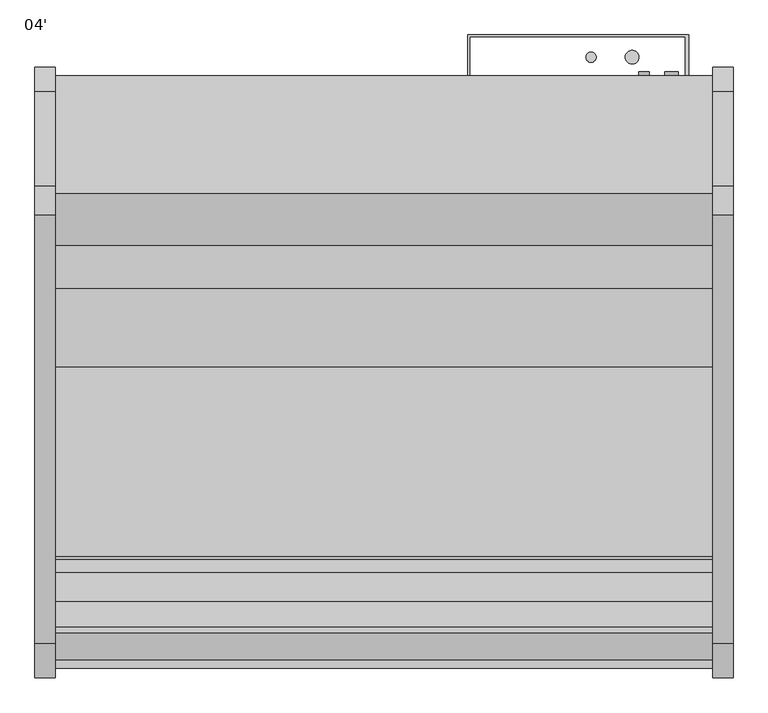
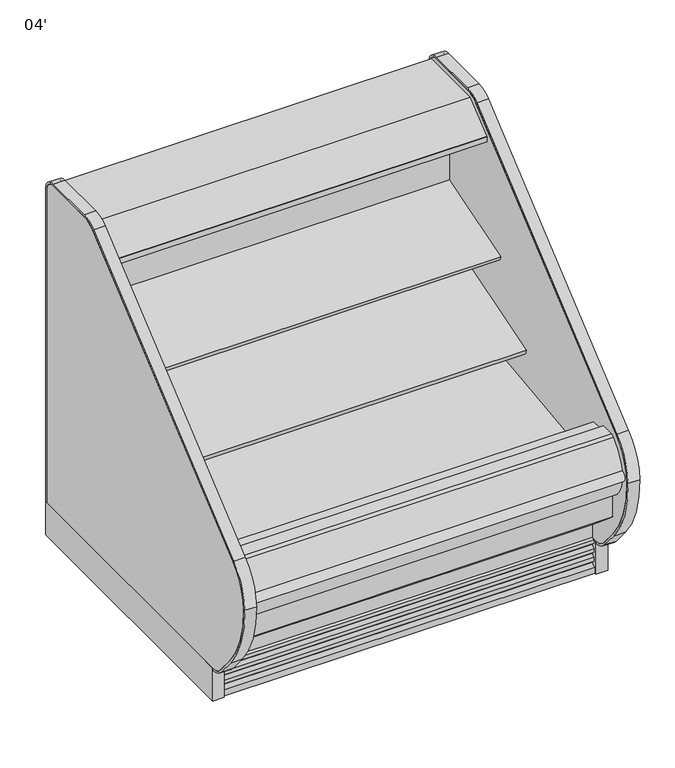
"""IFC4 building model written with IfcOpenShell, lengths in millimetres: proxy geometry, 04'."""

from ifc_helpers import new_model, si_unit, point, frame, frame_2d, origin, origin_with_axes, place, context, project, spatial, polyline, circle_curve, trimmed, segment, composite_curve, outline, extrude, source, transform, mapped, element, save
from ifc_brep_helpers import plane_surface, cylinder_surface, revolved_surface, advanced_brep


def proxy_04_50b82abc(model_context):
    return source(origin(), model_context, "Body", "SolidModel", [
        extrude(outline(composite_curve([segment(trimmed(circle_curve(frame_2d((971.4252137, -979.3589273)), 9.525), [point((961.9002137, -979.3589273))], [point((980.9502137, -979.3589273))], False, "CARTESIAN"), True, "CONTINUOUS"), segment(trimmed(circle_curve(frame_2d((971.4252137, -979.3589273)), 9.525), [point((980.9502137, -979.3589273))], [point((961.9002137, -979.3589273))], False, "CARTESIAN"), True, "CONTINUOUS")], self_intersect=False)), frame((0.0, 0.0, 68.5310382), z_axis=(0.0, 0.0, 1.0), x_axis=(1.0, 0.0, 0.0)), (0.0, 0.0, 1.0), 52.7807458),
        extrude(outline(composite_curve([segment(trimmed(circle_curve(frame_2d((1021.079026, -979.3589273)), 12.7), [point((1008.379026, -979.3589273))], [point((1033.779026, -979.3589273))], False, "CARTESIAN"), True, "CONTINUOUS"), segment(trimmed(circle_curve(frame_2d((1021.079026, -979.3589273)), 12.7), [point((1033.779026, -979.3589273))], [point((1008.379026, -979.3589273))], False, "CARTESIAN"), True, "CONTINUOUS")], self_intersect=False)), frame((0.0, 0.0, 68.5310382), z_axis=(0.0, 0.0, 1.0), x_axis=(1.0, 0.0, 0.0)), (0.0, 0.0, 1.0), 52.7807458),
        extrude(outline(composite_curve([segment(polyline([(-514.5184043, 1137.9230838), (-504.8108903, 1140.9213787), (-504.5441858, 1140.0578752), (-503.4770145, 1140.0578752), (-503.4770145, 1046.2935435), (-528.7722287, 1042.7407473)]), True, "CONTINUOUS"), segment(trimmed(circle_curve(frame_2d((-528.9121117, 1044.3144225)), 1.57988), [point((-528.7722287, 1042.7407473))], [point((-530.4766164, 1044.0945457))], False, "CARTESIAN"), True, "CONTINUOUS"), segment(polyline([(-530.4766164, 1044.0945457), (-531.3614261, 1050.3902938), (-530.5766584, 1050.5005857), (-529.5822638, 1043.4251005), (-506.0015054, 1046.73916), (-520.0975442, 1147.0376871), (-542.8581255, 1144.0153314)]), True, "CONTINUOUS"), segment(trimmed(circle_curve(frame_2d((-542.7544773, 1143.234783)), 0.7874), [point((-542.8581255, 1144.0153314))], [point((-543.5350257, 1143.1311347))], True, "CARTESIAN"), True, "CONTINUOUS"), segment(polyline([(-543.5350257, 1143.1311347), (-542.5119167, 1135.4263646), (-543.2924653, 1135.3227184), (-544.3155741, 1143.0274865)]), True, "CONTINUOUS"), segment(trimmed(circle_curve(frame_2d((-542.7544773, 1143.234783)), 1.5748), [point((-544.3155741, 1143.0274865))], [point((-542.9617738, 1144.7958798))], False, "CARTESIAN"), True, "CONTINUOUS"), segment(polyline([(-542.9617738, 1144.7958798), (-518.9973626, 1147.9780909)]), True, "CONTINUOUS"), segment(trimmed(circle_curve(frame_2d((-518.7900661, 1146.4169941)), 1.5748), [point((-518.9973626, 1147.9780909))], [point((-517.2854014, 1146.8817298))], False, "CARTESIAN"), True, "CONTINUOUS"), segment(polyline([(-517.2854014, 1146.8817298), (-514.5184043, 1137.9230838)]), True, "CONTINUOUS")], self_intersect=False)), frame((0.0, 0.0, 0.0), z_axis=(1.0, 0.0, 0.0), x_axis=(0.0, 1.0, 0.0)), (0.0, 0.0, 1.0), 1219.2),
        extrude(outline(polyline([(-401.5419232, 1219.2), (-401.5419232, 1172.7720648), (-452.3089273, 1172.7720648), (-452.3089273, 1140.0578752), (-504.5441858, 1140.0578752), (-506.6234348, 1146.7898143), (-511.417881, 1145.3089857), (-535.4879211, 1173.9945425), (-642.2562389, 1173.9945425), (-643.0944389, 1173.1563425), (-643.0944389, 1162.0311425), (-643.6525285, 1160.8523324), (-688.2903714, 1124.2763324), (-689.2562818, 1123.9311425), (-700.752905, 1123.9311425), (-700.752905, 1121.9993669), (-715.8339273, 1121.9993669), (-715.8339273, 1140.2683169), (-715.2407658, 1141.5119059), (-619.3039593, 1219.2), (-401.5419232, 1219.2)])), frame((0.0, 0.0, 0.0), z_axis=(1.0, 0.0, 0.0), x_axis=(0.0, 1.0, 0.0)), (0.0, 0.0, 1.0), 1219.2),
        extrude(outline(composite_curve([segment(polyline([(-506.0015054, 1046.73916), (-529.5822638, 1043.4251005), (-530.5766584, 1050.5005857), (-542.5070926, 1135.3900359), (-543.5350257, 1143.1311347)]), True, "CONTINUOUS"), segment(trimmed(circle_curve(frame_2d((-542.7544773, 1143.234783)), 0.7874), [point((-543.5350257, 1143.1311347))], [point((-542.8581255, 1144.0153314))], False, "CARTESIAN"), True, "CONTINUOUS"), segment(polyline([(-542.8581255, 1144.0153314), (-520.0975442, 1147.0376871), (-506.0015054, 1046.73916)]), True, "CONTINUOUS")], self_intersect=False)), frame((0.0, 0.0, 0.0), z_axis=(1.0, 0.0, 0.0), x_axis=(0.0, 1.0, 0.0)), (0.0, 0.0, 1.0), 1219.2),
        extrude(outline(composite_curve([segment(trimmed(circle_curve(frame_2d((-587.0366389, 1151.3155175)), 14.2875), [point((-601.3241389, 1151.3155175))], [point((-572.7491389, 1151.3155175))], False, "CARTESIAN"), True, "CONTINUOUS"), segment(trimmed(circle_curve(frame_2d((-587.0366389, 1151.3155175)), 14.2875), [point((-572.7491389, 1151.3155175))], [point((-601.3241389, 1151.3155175))], False, "CARTESIAN"), True, "CONTINUOUS")], self_intersect=False)), frame((0.0, 0.0, 0.0), z_axis=(1.0, 0.0, 0.0), x_axis=(0.0, 1.0, 0.0)), (0.0, 0.0, 1.0), 1219.2),
        extrude(outline(composite_curve([segment(trimmed(circle_curve(frame_2d((-624.4254389, 1151.3155175)), 14.2875), [point((-638.7129389, 1151.3155175))], [point((-610.1379389, 1151.3155175))], False, "CARTESIAN"), True, "CONTINUOUS"), segment(trimmed(circle_curve(frame_2d((-624.4254389, 1151.3155175)), 14.2875), [point((-610.1379389, 1151.3155175))], [point((-638.7129389, 1151.3155175))], False, "CARTESIAN"), True, "CONTINUOUS")], self_intersect=False)), frame((0.0, 0.0, 0.0), z_axis=(1.0, 0.0, 0.0), x_axis=(0.0, 1.0, 0.0)), (0.0, 0.0, 1.0), 1219.2),
        extrude(outline(polyline([(1168.5852968, -401.5089273), (1168.5852968, -328.4839273), (768.694795, -328.4839273), (768.694795, -401.5089273), (764.7108738, -401.5089273), (764.7108738, -325.3089273), (1174.75, -325.3089273), (1174.75, -401.5089273), (1168.5852968, -401.5089273)])), frame((0.0, 0.0, 183.281282), z_axis=(0.0, 0.0, 1.0), x_axis=(1.0, 0.0, 0.0)), (0.0, 0.0, 1.0), 925.9383854),
        advanced_brep(
        [(0.0, -401.5089273, 1172.7720648), (0.0, -401.5089273, 130.175), (0.0, -1280.7758002, 130.175), (0.0, -1430.5207837, 255.8259604), (0.0, -1430.5207837, 390.4771975), (0.0, -1379.5124455, 390.4771975), (0.0, -1379.5124455, 334.3739209), (0.0, -1221.964683, 189.2843753), (0.0, -1163.9200968, 157.108203), (0.0, -1097.1040899, 157.108203), (0.0, -1043.9921866, 195.6902403), (0.0, -599.382701, 211.674682), (0.0, -452.3089273, 350.7638053), (0.0, -452.3089273, 1172.7720648), (1219.2, -401.5089273, 1172.7720648), (1219.2, -452.3089273, 1172.7720648), (1219.2, -452.3089273, 350.7638053), (1219.2, -599.382701, 211.674682), (1219.2, -1043.9921866, 195.6902403), (1219.2, -1097.1040899, 157.108203), (1219.2, -1163.9200968, 157.108203), (1219.2, -1221.964683, 189.2843753), (1219.2, -1379.5124455, 334.3739209), (1219.2, -1379.5124455, 390.4771975), (1219.2, -1430.5207837, 390.4771975), (1219.2, -1430.5207837, 255.8259604), (1219.2, -1280.7758002, 130.175), (1219.2, -401.5089273, 130.175), (1117.6, -401.5089273, 417.7254285), (1117.6, -401.5089273, 316.1254285), (1117.6, -446.7209273, 316.1254285), (1117.6, -446.7209273, 417.7254285)],
        [
            (0, 1),
            (1, 2),
            (2, 3),
            (3, 4),
            (4, 5),
            (5, 6),
            (6, 7, circle_curve(frame((0.0, -1227.2834533, 341.5915343), z_axis=(1.0, 0.0, 0.0), x_axis=(0.0, 1.0, 0.0)), 152.4)),
            (7, 8),
            (8, 9),
            (9, 10),
            (10, 11),
            (11, 12, circle_curve(frame((0.0, -604.8944357, 364.8057873), z_axis=(1.0, 0.0, 0.0), x_axis=(0.0, 1.0, 0.0)), 153.2302667)),
            (12, 13),
            (13, 0),
            (14, 15),
            (15, 16),
            (16, 17, circle_curve(frame((1219.2, -604.8944357, 364.8057873), z_axis=(-1.0, 0.0, 0.0), x_axis=(0.0, 1.0, 0.0)), 153.2302667)),
            (17, 18),
            (18, 19),
            (19, 20),
            (20, 21),
            (21, 22, circle_curve(frame((1219.2, -1227.2834533, 341.5915343), z_axis=(-1.0, 0.0, 0.0), x_axis=(0.0, 1.0, 0.0)), 152.4)),
            (22, 23),
            (23, 24),
            (24, 25),
            (25, 26),
            (26, 27),
            (27, 14),
            (13, 15),
            (14, 0),
            (12, 16),
            (5, 23),
            (22, 6),
            (4, 24),
            (3, 25),
            (2, 26),
            (1, 27),
            (28, 29, circle_curve(frame((1117.6, -401.5089273, 366.9254285), z_axis=(0.0, -1.0, 0.0), x_axis=(0.0, 0.0, 1.0)), 50.8)),
            (29, 28, circle_curve(frame((1117.6, -401.5089273, 366.9254285), z_axis=(0.0, -1.0, 0.0), x_axis=(0.0, 0.0, 1.0)), 50.8)),
            (11, 17),
            (10, 18),
            (9, 19),
            (8, 20),
            (7, 21),
            (30, 31, circle_curve(frame((1117.6, -446.7209273, 366.9254285), z_axis=(0.0, 1.0, 0.0), x_axis=(0.0, 0.0, 1.0)), 50.8)),
            (31, 30, circle_curve(frame((1117.6, -446.7209273, 366.9254285), z_axis=(0.0, 1.0, 0.0), x_axis=(0.0, 0.0, 1.0)), 50.8)),
            (30, 29),
            (28, 31),
        ],
        [
            plane_surface(frame((0.0, -452.3089273, 1172.7720648), z_axis=(-1.0, 0.0, 0.0), x_axis=(0.0, 1.0, 0.0))),
            plane_surface(frame((1219.2, -452.3089273, 1172.7720648), z_axis=(1.0, 0.0, 0.0), x_axis=(0.0, -1.0, 0.0))),
            plane_surface(frame((1219.2, -401.5089273, 1172.7720648), z_axis=(0.0, 0.0, 1.0), x_axis=(-1.0, 0.0, 0.0))),
            plane_surface(frame((1219.2, -452.3089273, 1172.7720648), z_axis=(0.0, -1.0, 0.0), x_axis=(-1.0, 0.0, 0.0))),
            plane_surface(frame((1219.2, -1379.5124455, 334.3739209), z_axis=(0.0, 1.0, 0.0), x_axis=(-1.0, 0.0, 0.0))),
            plane_surface(frame((1219.2, -1379.5124455, 390.4771975), z_axis=(0.0, 0.0, 1.0), x_axis=(-1.0, 0.0, 0.0))),
            plane_surface(frame((1219.2, -1430.5207837, 390.4771975), z_axis=(0.0, -1.0, 0.0), x_axis=(-1.0, 0.0, 0.0))),
            plane_surface(frame((1219.2, -1430.5207837, 255.8259604), z_axis=(0.0, -0.6427876096870797, -0.7660444431185247), x_axis=(-1.0, 0.0, 0.0))),
            plane_surface(frame((1219.2, -1280.7758002, 130.175), z_axis=(0.0, 0.0, -1.0), x_axis=(-1.0, 0.0, 0.0))),
            plane_surface(frame((1219.2, -401.5089273, 130.175), z_axis=(0.0, 1.0, 0.0), x_axis=(-1.0, 0.0, 0.0))),
            revolved_surface(polyline([(0.0, -451.664169, 364.8057873), (1219.2, -451.664169, 364.8057873)]), (0.0, -604.8944357, 364.8057873), (-1.0, 0.0, 0.0)),
            plane_surface(frame((1219.2, -599.382701, 211.674682), z_axis=(0.0, -0.03592843195619589, 0.9993543654666092), x_axis=(-1.0, 0.0, 0.0))),
            plane_surface(frame((1219.2, -1043.9921866, 195.6902403), z_axis=(0.0, -0.5877252382161418, 0.8090605937528904), x_axis=(-1.0, 0.0, 0.0))),
            plane_surface(frame((1219.2, -1097.1040899, 157.108203), z_axis=(0.0, 0.0, 1.0), x_axis=(-1.0, 0.0, 0.0))),
            plane_surface(frame((1219.2, -1163.9200968, 157.108203), z_axis=(0.0, 0.4848272875913505, 0.8746099137368694), x_axis=(-1.0, 0.0, 0.0))),
            revolved_surface(polyline([(0.0, -1074.8834533, 341.5915343), (1219.2, -1074.8834533, 341.5915343)]), (0.0, -1227.2834533, 341.5915343), (-1.0, 0.0, 0.0)),
            plane_surface(frame((1117.6, -446.7209273, 417.7254285), z_axis=(0.0, 1.0, 0.0), x_axis=(-1.0, 0.0, 0.0))),
            revolved_surface(polyline([(1117.6, -401.5089273, 417.7254285), (1117.6, -446.7209273, 417.7254285)]), (1117.6, -446.7209273, 366.9254285), (0.0, 1.0, 0.0)),
        ],
        [
            (0, [[1, 2, 3, 4, 5, 6, 7, 8, 9, 10, 11, 12, 13, 14]]),
            (1, [[15, 16, 17, 18, 19, 20, 21, 22, 23, 24, 25, 26, 27, 28]]),
            (2, [[-14, 29, -15, 30]]),
            (3, [[-13, 31, -16, -29]]),
            (4, [[-6, 32, -23, 33]]),
            (5, [[-5, 34, -24, -32]]),
            (6, [[-4, 35, -25, -34]]),
            (7, [[-3, 36, -26, -35]]),
            (8, [[-2, 37, -27, -36]]),
            (9, [[-1, -30, -28, -37], [38, 39]]),
            (10, [[-12, 40, -17, -31]]),
            (11, [[-11, 41, -18, -40]]),
            (12, [[-10, 42, -19, -41]]),
            (13, [[-9, 43, -20, -42]]),
            (14, [[-8, 44, -21, -43]]),
            (15, [[-7, -33, -22, -44]]),
            (16, [[45, 46]]),
            (17, [[-45, 47, -38, 48]]),
            (17, [[-46, -48, -39, -47]]),
        ],
    ),
        extrude(outline(composite_curve([segment(polyline([(-503.4770145, 861.6565177), (-503.4770145, 783.44874), (-520.8520366, 777.8119162)]), True, "CONTINUOUS"), segment(trimmed(circle_curve(frame_2d((-528.6901714, 801.9722896)), 25.4), [point((-520.8520366, 777.8119162))], [point((-538.1963728, 778.4182637))], False, "CARTESIAN"), True, "CONTINUOUS"), segment(polyline([(-538.1963728, 778.4182637), (-559.4917707, 787.0129023)]), True, "CONTINUOUS"), segment(trimmed(circle_curve(frame_2d((-583.257274, 728.1278376)), 63.5), [point((-559.4917707, 787.0129023))], [point((-594.1259367, 790.6907832))], True, "CARTESIAN"), True, "CONTINUOUS"), segment(polyline([(-594.1259367, 790.6907832), (-731.8940366, 773.3507494), (-734.3236807, 776.2056896), (-790.800009, 758.9391433), (-794.9587042, 772.5416221), (-503.4770145, 861.6565177)]), True, "CONTINUOUS")], self_intersect=False)), frame((0.0, 0.0, 0.0), z_axis=(1.0, 0.0, 0.0), x_axis=(0.0, 1.0, 0.0)), (0.0, 0.0, 1.0), 1219.2),
        extrude(outline(composite_curve([segment(polyline([(-503.4770145, 591.8191637), (-522.1893768, 585.7484786)]), True, "CONTINUOUS"), segment(trimmed(circle_curve(frame_2d((-530.0275116, 609.908852)), 25.4), [point((-522.1893768, 585.7484786))], [point((-539.533713, 586.3548261))], False, "CARTESIAN"), True, "CONTINUOUS"), segment(polyline([(-539.533713, 586.3548261), (-560.8291108, 594.9494647)]), True, "CONTINUOUS"), segment(trimmed(circle_curve(frame_2d((-584.5946142, 536.0644)), 63.5), [point((-560.8291108, 594.9494647))], [point((-595.4632769, 598.6273456))], True, "CARTESIAN"), True, "CONTINUOUS"), segment(polyline([(-595.4632769, 598.6273456), (-783.1797893, 566.0165496), (-785.6094334, 568.8714898), (-936.5408538, 522.7271238), (-940.699549, 536.3296027), (-503.4770145, 670.0019461), (-503.4770145, 591.8191637)]), True, "CONTINUOUS")], self_intersect=False)), frame((0.0, 0.0, 0.0), z_axis=(1.0, 0.0, 0.0), x_axis=(0.0, 1.0, 0.0)), (0.0, 0.0, 1.0), 1219.2),
        extrude(outline(composite_curve([segment(trimmed(circle_curve(frame_2d((-1482.5436564, 431.7775332)), 17.7832634), [point((-1486.5018278, 414.4403669))], [point((-1485.8670799, 449.2474878))], False, "CARTESIAN"), True, "CONTINUOUS"), segment(trimmed(circle_curve(frame_2d((-1314.6679362, 401.3886708)), 177.7628003), [point((-1485.8670799, 449.2474878))], [point((-1488.2158442, 439.8690139))], True, "CARTESIAN"), True, "CONTINUOUS"), segment(trimmed(circle_curve(frame_2d((-1361.2858552, 435.6526323)), 126.9999999), [point((-1488.2158442, 439.8690139))], [point((-1486.5018278, 414.4403669))], True, "CARTESIAN"), True, "CONTINUOUS")], self_intersect=False)), frame((0.0, 0.0, 0.0), z_axis=(1.0, 0.0, 0.0), x_axis=(0.0, 1.0, 0.0)), (0.0, 0.0, 1.0), 1219.2),
        extrude(outline(composite_curve([segment(polyline([(-1430.5207837, 390.4771975), (-1430.5207837, 349.191578), (-1455.8537478, 349.191578)]), True, "CONTINUOUS"), segment(trimmed(circle_curve(frame_2d((-1360.3674523, 434.1532094)), 127.8127984), [point((-1455.8537478, 349.191578))], [point((-1488.0175216, 440.6007866))], False, "CARTESIAN"), True, "CONTINUOUS"), segment(trimmed(circle_curve(frame_2d((-1312.8856615, 403.1660664)), 179.0880417), [point((-1488.0175216, 440.6007866))], [point((-1434.0757284, 535.020131))], False, "CARTESIAN"), True, "CONTINUOUS"), segment(trimmed(circle_curve(frame_2d((-1421.997786, 522.055071)), 17.7191838), [point((-1434.0757284, 535.020131))], [point((-1422.9245877, 539.75))], False, "CARTESIAN"), True, "CONTINUOUS"), segment(polyline([(-1422.9245877, 539.75), (-1377.3315877, 539.75), (-1377.3315877, 520.4426474), (-1379.5124455, 520.4426474), (-1379.5124455, 390.4771975), (-1430.5207837, 390.4771975)]), True, "CONTINUOUS")], self_intersect=False)), frame((0.0, 0.0, 0.0), z_axis=(1.0, 0.0, 0.0), x_axis=(0.0, 1.0, 0.0)), (0.0, 0.0, 1.0), 1219.2),
        extrude(outline(composite_curve([segment(polyline([(-1305.8908654, 151.2490419), (-1305.8908654, 0.0), (-1329.0357106, 0.0), (-1329.0357106, 19.9045671)]), True, "CONTINUOUS"), segment(trimmed(circle_curve(frame_2d((-1328.499887, 33.5999438)), 13.7058546), [point((-1329.0357106, 19.9045671))], [point((-1315.4179076, 29.51188))], True, "CARTESIAN"), True, "CONTINUOUS"), segment(polyline([(-1315.4179076, 29.51188), (-1311.9288106, 40.67714), (-1322.5660058, 38.5193172), (-1324.5599058, 38.5193172), (-1324.5599058, 51.2193172)]), True, "CONTINUOUS"), segment(trimmed(circle_curve(frame_2d((-1328.9777736, 64.7214645)), 14.2065314), [point((-1324.5599058, 51.2193172))], [point((-1315.4179076, 60.4840631))], True, "CARTESIAN"), True, "CONTINUOUS"), segment(polyline([(-1315.4179076, 60.4840631), (-1311.9288106, 71.6493231), (-1322.5660058, 69.4915004), (-1324.5599058, 69.4915004), (-1324.5599058, 82.1915004)]), True, "CONTINUOUS"), segment(trimmed(circle_curve(frame_2d((-1329.0501489, 95.765064)), 14.2969897), [point((-1324.5599058, 82.1915004))], [point((-1315.4179076, 91.4562462))], True, "CARTESIAN"), True, "CONTINUOUS"), segment(polyline([(-1315.4179076, 91.4562462), (-1311.9288106, 102.4950543), (-1322.5660058, 100.4638704), (-1324.5599058, 100.4638704), (-1324.5599058, 113.1638704)]), True, "CONTINUOUS"), segment(trimmed(circle_curve(frame_2d((-1323.9621412, 124.1285303)), 10.9809422), [point((-1324.5599058, 113.1638704))], [point((-1316.1764071, 116.3849243))], True, "CARTESIAN"), True, "CONTINUOUS"), segment(polyline([(-1316.1764071, 116.3849243), (-1316.1764071, 159.8796362), (-1305.8908654, 151.2490419)]), True, "CONTINUOUS")], self_intersect=False)), frame((0.0, 0.0, 0.0), z_axis=(1.0, 0.0, 0.0), x_axis=(0.0, 1.0, 0.0)), (0.0, 0.0, 1.0), 1219.2),
        extrude(outline(composite_curve([segment(trimmed(circle_curve(frame_2d((993.775, -366.5839273)), 9.525), [point((984.25, -366.5839273))], [point((1003.3, -366.5839273))], False, "CARTESIAN"), True, "CONTINUOUS"), segment(trimmed(circle_curve(frame_2d((993.775, -366.5839273)), 9.525), [point((1003.3, -366.5839273))], [point((984.25, -366.5839273))], False, "CARTESIAN"), True, "CONTINUOUS")], self_intersect=False)), frame((0.0, 0.0, 794.9666444), z_axis=(0.0, 0.0, 1.0), x_axis=(1.0, 0.0, 0.0)), (0.0, 0.0, 1.0), 340.5657556),
        extrude(outline(composite_curve([segment(trimmed(circle_curve(frame_2d((1069.975, -366.5839273)), 12.7), [point((1057.275, -366.5839273))], [point((1082.675, -366.5839273))], False, "CARTESIAN"), True, "CONTINUOUS"), segment(trimmed(circle_curve(frame_2d((1069.975, -366.5839273)), 12.7), [point((1082.675, -366.5839273))], [point((1057.275, -366.5839273))], False, "CARTESIAN"), True, "CONTINUOUS")], self_intersect=False)), frame((0.0, 0.0, 794.9666444), z_axis=(0.0, 0.0, 1.0), x_axis=(1.0, 0.0, 0.0)), (0.0, 0.0, 1.0), 340.5657556),
        extrude(outline(composite_curve([segment(trimmed(circle_curve(frame_2d((368.3, 1143.0)), 12.7), [point((368.3, 1155.7))], [point((368.3, 1130.3))], False, "CARTESIAN"), True, "CONTINUOUS"), segment(trimmed(circle_curve(frame_2d((368.3, 1143.0)), 12.7), [point((368.3, 1130.3))], [point((368.3, 1155.7))], False, "CARTESIAN"), True, "CONTINUOUS")], self_intersect=False)), frame((0.0, -446.7209273, 0.0), z_axis=(0.0, 1.0, 0.0), x_axis=(0.0, 0.0, 1.0)), (0.0, 0.0, 1.0), 52.8518438),
        extrude(outline(composite_curve([segment(trimmed(circle_curve(frame_2d((368.3, 1092.2)), 9.525), [point((368.3, 1101.725))], [point((368.3, 1082.675))], False, "CARTESIAN"), True, "CONTINUOUS"), segment(trimmed(circle_curve(frame_2d((368.3, 1092.2)), 9.525), [point((368.3, 1082.675))], [point((368.3, 1101.725))], False, "CARTESIAN"), True, "CONTINUOUS")], self_intersect=False)), frame((0.0, -446.7209273, 0.0), z_axis=(0.0, 1.0, 0.0), x_axis=(0.0, 0.0, 1.0)), (0.0, 0.0, 1.0), 52.8518438),
        extrude(outline(composite_curve([segment(trimmed(circle_curve(frame_2d((914.4, -1125.4089273)), 38.1), [point((876.3, -1125.4089273))], [point((952.5, -1125.4089273))], False, "CARTESIAN"), True, "CONTINUOUS"), segment(trimmed(circle_curve(frame_2d((914.4, -1125.4089273)), 38.1), [point((952.5, -1125.4089273))], [point((876.3, -1125.4089273))], False, "CARTESIAN"), True, "CONTINUOUS")], self_intersect=False)), frame((0.0, 0.0, 68.5310382), z_axis=(0.0, 0.0, 1.0), x_axis=(1.0, 0.0, 0.0)), (0.0, 0.0, 1.0), 52.7807458),
        extrude(outline(polyline([(-1207.4658654, 16.9113003), (-1305.8908654, 16.9113003), (-1305.8908654, 151.2490419), (-1280.7758002, 130.175), (-1207.4658654, 130.175), (-1207.4658654, 16.9113003)])), frame((0.0, 0.0, 0.0), z_axis=(1.0, 0.0, 0.0), x_axis=(0.0, 1.0, 0.0)), (0.0, 0.0, 1.0), 1219.2),
        advanced_brep(
        [(0.0, -402.2033041, 130.0758033), (0.0, -402.2033041, -0.0991967), (0.0, -447.4153041, -0.0991967), (0.0, -447.4153041, 74.7818415), (0.0, -1161.2418973, 74.7818415), (0.0, -1161.2418973, -0.0991967), (0.0, -1207.4682506, -0.0991967), (0.0, -1207.4682506, 130.0758033), (1219.2, -402.2033041, 130.0758033), (1219.2, -1207.4682506, 130.0758033), (1219.2, -1207.4682506, -0.0991967), (1219.2, -1161.2418973, -0.0991967), (1219.2, -1161.2418973, 74.7818415), (1219.2, -447.4153041, 74.7818415), (1219.2, -447.4153041, -0.0991967), (1219.2, -402.2033041, -0.0991967), (878.3911364, -1161.2418973, -0.0991967), (950.4088636, -1161.2418973, -0.0991967), (878.3911364, -1161.2418973, 74.7818415), (950.4088636, -1161.2418973, 74.7818415), (965.2, -1125.4089273, 74.7818415), (863.6, -1125.4089273, 74.7818415), (946.15, -979.3589273, 74.7818415), (1047.75, -979.3589273, 74.7818415), (863.6, -1125.4089273, 121.311784), (965.2, -1125.4089273, 121.311784), (946.15, -979.3589273, 121.311784), (1047.75, -979.3589273, 121.311784)],
        [
            (0, 1),
            (1, 2),
            (2, 3),
            (3, 4),
            (4, 5),
            (5, 6),
            (6, 7),
            (7, 0),
            (8, 9),
            (9, 10),
            (10, 11),
            (11, 12),
            (12, 13),
            (13, 14),
            (14, 15),
            (15, 8),
            (7, 9),
            (8, 0),
            (6, 10),
            (5, 16),
            (16, 17, circle_curve(frame((914.4, -1125.4089273, -0.0991967), z_axis=(0.0, 0.0, 1.0), x_axis=(1.0, 0.0, 0.0)), 50.8)),
            (17, 11),
            (4, 18),
            (18, 16),
            (17, 19),
            (19, 12),
            (3, 13),
            (19, 20, circle_curve(frame((914.4, -1125.4089273, 74.7818415), z_axis=(0.0, 0.0, 1.0), x_axis=(1.0, 0.0, 0.0)), 50.8)),
            (20, 21, circle_curve(frame((914.4, -1125.4089273, 74.7818415), z_axis=(0.0, 0.0, 1.0), x_axis=(1.0, 0.0, 0.0)), 50.8)),
            (21, 18, circle_curve(frame((914.4, -1125.4089273, 74.7818415), z_axis=(0.0, 0.0, 1.0), x_axis=(1.0, 0.0, 0.0)), 50.8)),
            (22, 23, circle_curve(frame((996.95, -979.3589273, 74.7818415), z_axis=(0.0, 0.0, 1.0), x_axis=(1.0, 0.0, 0.0)), 50.8)),
            (23, 22, circle_curve(frame((996.95, -979.3589273, 74.7818415), z_axis=(0.0, 0.0, 1.0), x_axis=(1.0, 0.0, 0.0)), 50.8)),
            (2, 14),
            (1, 15),
            (24, 25, circle_curve(frame((914.4, -1125.4089273, 121.311784), z_axis=(0.0, 0.0, -1.0), x_axis=(1.0, 0.0, 0.0)), 50.8)),
            (25, 24, circle_curve(frame((914.4, -1125.4089273, 121.311784), z_axis=(0.0, 0.0, -1.0), x_axis=(1.0, 0.0, 0.0)), 50.8)),
            (25, 20),
            (21, 24),
            (26, 27, circle_curve(frame((996.95, -979.3589273, 121.311784), z_axis=(0.0, 0.0, -1.0), x_axis=(1.0, 0.0, 0.0)), 50.8)),
            (27, 26, circle_curve(frame((996.95, -979.3589273, 121.311784), z_axis=(0.0, 0.0, -1.0), x_axis=(1.0, 0.0, 0.0)), 50.8)),
            (27, 23),
            (22, 26),
        ],
        [
            plane_surface(frame((0.0, -1206.5727421, 130.0758033), z_axis=(-1.0, 0.0, 0.0), x_axis=(0.0, 1.0, 0.0))),
            plane_surface(frame((1219.2, -1206.5727421, 130.0758033), z_axis=(1.0, 0.0, 0.0), x_axis=(0.0, -1.0, 0.0))),
            plane_surface(frame((1219.2, -402.2033041, 130.0758033), z_axis=(0.0, 0.0, 1.0), x_axis=(-1.0, 0.0, 0.0))),
            plane_surface(frame((1219.2, -1207.4682506, 130.0758033), z_axis=(0.0, -1.0, 0.0), x_axis=(-1.0, 0.0, 0.0))),
            plane_surface(frame((1219.2, -1207.4682506, -0.0991967), z_axis=(0.0, 0.0, -1.0), x_axis=(-1.0, 0.0, 0.0))),
            plane_surface(frame((1219.2, -1161.2418973, -0.0991967), z_axis=(0.0, 1.0, 0.0), x_axis=(-1.0, 0.0, 0.0))),
            plane_surface(frame((1219.2, -1161.2418973, 74.7818415), z_axis=(0.0, 0.0, -1.0), x_axis=(-1.0, 0.0, 0.0))),
            plane_surface(frame((1219.2, -447.4153041, 74.7818415), z_axis=(0.0, -1.0, 0.0), x_axis=(-1.0, 0.0, 0.0))),
            plane_surface(frame((1219.2, -447.4153041, -0.0991967), z_axis=(0.0, 0.0, -1.0), x_axis=(-1.0, 0.0, 0.0))),
            plane_surface(frame((1219.2, -402.2033041, -0.0991967), z_axis=(0.0, 1.0, 0.0), x_axis=(-1.0, 0.0, 0.0))),
            plane_surface(frame((965.2, -1125.4089273, 121.311784), z_axis=(0.0, 0.0, -1.0), x_axis=(0.0, 1.0, 0.0))),
            revolved_surface(polyline([(965.1999999999999, -1125.4089273, 121.311784), (965.1999999999999, -1125.4089273, -0.0991967)]), (914.4, -1125.4089273, 0.0), (0.0, 0.0, 1.0)),
            revolved_surface(polyline([(965.1999999999999, -1125.4089273, 121.311784), (965.1999999999999, -1125.4089273, 74.7818415)]), (914.4, -1125.4089273, 0.0), (0.0, 0.0, 1.0)),
            plane_surface(frame((1047.75, -979.3589273, 121.311784), z_axis=(0.0, 0.0, -1.0), x_axis=(0.0, 1.0, 0.0))),
            revolved_surface(polyline([(1047.75, -979.3589273, 121.311784), (1047.75, -979.3589273, 74.7818415)]), (996.95, -979.3589273, 0.0), (0.0, 0.0, 1.0)),
        ],
        [
            (0, [[1, 2, 3, 4, 5, 6, 7, 8]]),
            (1, [[9, 10, 11, 12, 13, 14, 15, 16]]),
            (2, [[-8, 17, -9, 18]]),
            (3, [[-7, 19, -10, -17]]),
            (4, [[-6, 20, 21, 22, -11, -19]]),
            (5, [[-5, 23, 24, -20]]),
            (5, [[-12, -22, 25, 26]]),
            (6, [[-4, 27, -13, -26, 28, 29, 30, -23], [31, 32]]),
            (7, [[-3, 33, -14, -27]]),
            (8, [[-2, 34, -15, -33]]),
            (9, [[-1, -18, -16, -34]]),
            (10, [[35, 36]]),
            (11, [[-36, 37, -28, -25, -21, -24, -30, 38]]),
            (12, [[-35, -38, -29, -37]]),
            (13, [[39, 40]]),
            (14, [[-40, 41, -31, 42]]),
            (14, [[-39, -42, -32, -41]]),
        ],
    ),
        extrude(outline(polyline([(688.975, -695.7578022), (688.975, -1117.5324221), (180.975, -1117.5324221), (180.975, -695.7578022), (688.975, -695.7578022)])), frame((0.0, 0.0, 68.5310382), z_axis=(0.0, 0.0, 1.0), x_axis=(1.0, 0.0, 0.0)), (0.0, 0.0, 1.0), 6.35),
        extrude(outline(polyline([(1219.2, -452.3089273), (1219.2, -503.4770145), (0.0, -503.4770145), (0.0, -452.3089273), (1219.2, -452.3089273)])), frame((0.0, 0.0, 415.8429537), z_axis=(0.0, 0.0, 1.0), x_axis=(1.0, 0.0, 0.0)), (0.0, 0.0, 1.0), 724.2149215),
        advanced_brep(
        [(0.0, -503.4770145, 415.8429537), (0.0, -452.3089273, 415.8429537), (0.0, -452.3089273, 350.7638053), (0.0, -599.382701, 211.674682), (0.0, -1043.4743285, 195.6902403), (0.0, -1096.5862318, 157.108203), (0.0, -1163.4022387, 157.108203), (0.0, -1221.4788318, 189.3021178), (0.0, -1379.5124455, 334.3739209), (0.0, -1379.5124455, 520.4426474), (0.0, -1322.6270145, 520.4426474), (0.0, -1322.6270145, 372.3098474), (0.0, -1298.2271496, 372.3098474), (0.0, -1292.7855784, 374.2514867), (0.0, -599.3661067, 457.3237105), (0.0, -599.0019346, 452.1158065), (0.0, -516.37749, 457.8934705), (0.0, -503.4770145, 470.7939459), (1219.2, -503.4770145, 415.8429537), (1219.2, -503.4770145, 470.7939459), (1219.2, -516.37749, 457.8934705), (1219.2, -599.0019346, 452.1158065), (1219.2, -599.3661067, 457.3237105), (1219.2, -1292.7855784, 374.2514867), (1219.2, -1298.2271496, 372.3098474), (1219.2, -1322.6270145, 372.3098474), (1219.2, -1322.6270145, 520.4426474), (1219.2, -1379.5124455, 520.4426474), (1219.2, -1379.5124455, 334.3739209), (1219.2, -1221.4788318, 189.3021178), (1219.2, -1163.4022387, 157.108203), (1219.2, -1096.5862318, 157.108203), (1219.2, -1043.4743285, 195.6902403), (1219.2, -599.382701, 211.674682), (1219.2, -452.3089273, 350.7638053), (1219.2, -452.3089273, 415.8429537)],
        [
            (0, 1),
            (1, 2),
            (2, 3, circle_curve(frame((0.0, -604.8944357, 364.8057873), z_axis=(-1.0, 0.0, 0.0), x_axis=(0.0, 1.0, 0.0)), 153.2302667)),
            (3, 4),
            (4, 5),
            (5, 6),
            (6, 7),
            (7, 8, circle_curve(frame((0.0, -1227.2834533, 341.5915343), z_axis=(-1.0, 0.0, 0.0), x_axis=(0.0, 1.0, 0.0)), 152.4)),
            (8, 9),
            (9, 10),
            (10, 11),
            (11, 12),
            (12, 13),
            (13, 14),
            (14, 15),
            (15, 16),
            (16, 17, circle_curve(frame((0.0, -516.37749, 470.7939459), z_axis=(1.0, 0.0, 0.0), x_axis=(0.0, 1.0, 0.0)), 12.9004754)),
            (17, 0),
            (18, 19),
            (19, 20, circle_curve(frame((1219.2, -516.37749, 470.7939459), z_axis=(-1.0, 0.0, 0.0), x_axis=(0.0, 1.0, 0.0)), 12.9004754)),
            (20, 21),
            (21, 22),
            (22, 23),
            (23, 24),
            (24, 25),
            (25, 26),
            (26, 27),
            (27, 28),
            (28, 29, circle_curve(frame((1219.2, -1227.2834533, 341.5915343), z_axis=(1.0, 0.0, 0.0), x_axis=(0.0, 1.0, 0.0)), 152.4)),
            (29, 30),
            (30, 31),
            (31, 32),
            (32, 33),
            (33, 34, circle_curve(frame((1219.2, -604.8944357, 364.8057873), z_axis=(1.0, 0.0, 0.0), x_axis=(0.0, 1.0, 0.0)), 153.2302667)),
            (34, 35),
            (35, 18),
            (34, 2),
            (1, 35),
            (0, 18),
            (17, 19),
            (16, 20),
            (15, 21),
            (14, 22),
            (29, 7),
            (6, 30),
            (5, 31),
            (4, 32),
            (3, 33),
            (13, 23),
            (12, 24),
            (11, 25),
            (10, 26),
            (9, 27),
            (8, 28),
        ],
        [
            plane_surface(frame((0.0, -503.4770145, 1092.9956953), z_axis=(-1.0, 0.0, 0.0), x_axis=(0.0, 0.0, -1.0))),
            plane_surface(frame((1219.2, -503.4770145, 1092.9956953), z_axis=(1.0, 0.0, 0.0), x_axis=(0.0, 0.0, 1.0))),
            plane_surface(frame((1219.2, -452.3089273, 350.7638053), z_axis=(0.0, 1.0, 0.0), x_axis=(-1.0, 0.0, 0.0))),
            plane_surface(frame((1219.2, -452.3089273, 415.8429537), z_axis=(0.0, 0.0, 1.0), x_axis=(-1.0, 0.0, 0.0))),
            plane_surface(frame((1219.2, -503.4770145, 415.8429537), z_axis=(0.0, 1.0, 0.0), x_axis=(-1.0, 0.0, 0.0))),
            revolved_surface(polyline([(0.0, -503.47701459999996, 470.7939459), (1219.2, -503.47701459999996, 470.7939459)]), (0.0, -516.37749, 470.7939459), (-1.0, 0.0, 0.0)),
            plane_surface(frame((1219.2, -516.37749, 457.8934705), z_axis=(0.0, -0.06975647369772905, 0.9975640502630686), x_axis=(-1.0, 0.0, 0.0))),
            plane_surface(frame((1219.2, -599.0019346, 452.1158065), z_axis=(0.0, 0.9975640502630934, 0.06975647369737496), x_axis=(-1.0, 0.0, 0.0))),
            plane_surface(frame((1219.2, -1221.4788318, 189.3021178), z_axis=(0.0, -0.48482728759135, -0.8746099137368696), x_axis=(-1.0, 0.0, 0.0))),
            plane_surface(frame((1219.2, -1163.4022387, 157.108203), z_axis=(0.0, 0.0, -1.0), x_axis=(-1.0, 0.0, 0.0))),
            plane_surface(frame((1219.2, -1096.5862318, 157.108203), z_axis=(0.0, 0.5877252382161428, -0.8090605937528897), x_axis=(-1.0, 0.0, 0.0))),
            plane_surface(frame((1219.2, -1043.4743285, 195.6902403), z_axis=(0.0, 0.03597027415217256, -0.9993528602938092), x_axis=(-1.0, 0.0, 0.0))),
            cylinder_surface(frame((0.0, -604.8944357, 364.8057873), z_axis=(1.0, 0.0, 0.0), x_axis=(0.0, 1.0, 0.0)), 153.2302667),
            plane_surface(frame((1219.2, -599.3661067, 457.3237105), z_axis=(0.0, -0.11895026338575308, 0.9929002139391753), x_axis=(-1.0, 0.0, 0.0))),
            plane_surface(frame((1219.2, -1292.7855784, 374.2514867), z_axis=(0.0, -0.33606330765123693, 0.9418393988629432), x_axis=(-1.0, 0.0, 0.0))),
            plane_surface(frame((1219.2, -1298.2271496, 372.3098474), z_axis=(0.0, 0.0, 1.0), x_axis=(-1.0, 0.0, 0.0))),
            plane_surface(frame((1219.2, -1322.6270145, 372.3098474), z_axis=(0.0, 1.0, 0.0), x_axis=(-1.0, 0.0, 0.0))),
            plane_surface(frame((1219.2, -1322.6270145, 520.4426474), z_axis=(0.0, 0.0, 1.0), x_axis=(-1.0, 0.0, 0.0))),
            plane_surface(frame((1219.2, -1379.5124455, 520.4426474), z_axis=(0.0, -1.0, 0.0), x_axis=(-1.0, 0.0, 0.0))),
            cylinder_surface(frame((0.0, -1227.2834533, 341.5915343), z_axis=(1.0, 0.0, 0.0), x_axis=(0.0, 1.0, 0.0)), 152.4),
        ],
        [
            (0, [[1, 2, 3, 4, 5, 6, 7, 8, 9, 10, 11, 12, 13, 14, 15, 16, 17, 18]]),
            (1, [[19, 20, 21, 22, 23, 24, 25, 26, 27, 28, 29, 30, 31, 32, 33, 34, 35, 36]]),
            (2, [[-35, 37, -2, 38]]),
            (3, [[-36, -38, -1, 39]]),
            (4, [[-19, -39, -18, 40]]),
            (5, [[-20, -40, -17, 41]]),
            (6, [[-21, -41, -16, 42]]),
            (7, [[-22, -42, -15, 43]]),
            (8, [[-30, 44, -7, 45]]),
            (9, [[-31, -45, -6, 46]]),
            (10, [[-32, -46, -5, 47]]),
            (11, [[-33, -47, -4, 48]]),
            (12, [[-34, -48, -3, -37]]),
            (13, [[-23, -43, -14, 49]]),
            (14, [[-24, -49, -13, 50]]),
            (15, [[-25, -50, -12, 51]]),
            (16, [[-26, -51, -11, 52]]),
            (17, [[-27, -52, -10, 53]]),
            (18, [[-28, -53, -9, 54]]),
            (19, [[-29, -54, -8, -44]]),
        ],
    ),
        extrude(outline(polyline([(0.0, -385.6339273), (0.0, -1335.5812273), (-38.1, -1335.5812273), (-38.1, -385.6339273), (0.0, -385.6339273)])), origin_with_axes(), (0.0, 0.0, 1.0), 114.3),
        extrude(outline(composite_curve([segment(polyline([(-1335.5812273, 114.3), (-1335.5812273, 107.95)]), True, "CONTINUOUS"), segment(trimmed(circle_curve(frame_2d((-1335.5812273, 171.45)), 63.5), [point((-1335.5812273, 107.95))], [point((-1384.2250494, 130.6329868))], False, "CARTESIAN"), True, "CONTINUOUS"), segment(polyline([(-1384.2250494, 130.6329868), (-1436.0410491, 192.3848905)]), True, "CONTINUOUS"), segment(trimmed(circle_curve(frame_2d((-1168.5000273, 416.8784632)), 349.25), [point((-1436.0410491, 192.3848905))], [point((-1517.6605971, 424.7815657))], False, "CARTESIAN"), True, "CONTINUOUS"), segment(trimmed(circle_curve(frame_2d((-1339.9061252, 420.758168)), 177.8), [point((-1517.6605971, 424.7815657))], [point((-1454.0998729, 557.0395974))], False, "CARTESIAN"), True, "CONTINUOUS"), segment(polyline([(-1454.0998729, 557.0395974), (-658.5976518, 1223.6115608)]), True, "CONTINUOUS"), segment(trimmed(circle_curve(frame_2d((-605.5791261, 1160.33804)), 82.55), [point((-658.5976518, 1223.6115608))], [point((-605.5791261, 1242.88804))], False, "CARTESIAN"), True, "CONTINUOUS"), segment(polyline([(-605.5791261, 1242.88804), (-430.0839273, 1242.88804)]), True, "CONTINUOUS"), segment(trimmed(circle_curve(frame_2d((-430.0839273, 1198.43804)), 44.45), [point((-430.0839273, 1242.88804))], [point((-385.6339273, 1198.43804))], False, "CARTESIAN"), True, "CONTINUOUS"), segment(polyline([(-385.6339273, 1198.43804), (-385.6339273, 114.3), (-391.9839273, 114.3), (-391.9839273, 1198.43804)]), True, "CONTINUOUS"), segment(trimmed(circle_curve(frame_2d((-430.0839273, 1198.43804)), 38.1), [point((-391.9839273, 1198.43804))], [point((-430.0839273, 1236.53804))], True, "CARTESIAN"), True, "CONTINUOUS"), segment(polyline([(-430.0839273, 1236.53804), (-605.5791261, 1236.53804)]), True, "CONTINUOUS"), segment(trimmed(circle_curve(frame_2d((-605.5791261, 1160.33804)), 76.2), [point((-605.5791261, 1236.53804))], [point((-654.5193036, 1218.7443669))], True, "CARTESIAN"), True, "CONTINUOUS"), segment(polyline([(-654.5193036, 1218.7443669), (-1450.0215247, 552.1724035)]), True, "CONTINUOUS"), segment(trimmed(circle_curve(frame_2d((-1339.9061252, 420.758168)), 171.45), [point((-1450.0215247, 552.1724035))], [point((-1511.3122231, 424.6378729))], True, "CARTESIAN"), True, "CONTINUOUS"), segment(trimmed(circle_curve(frame_2d((-1168.5000273, 416.8784632)), 342.9), [point((-1511.3122231, 424.6378729))], [point((-1431.1766668, 196.4665918))], True, "CARTESIAN"), True, "CONTINUOUS"), segment(polyline([(-1431.1766668, 196.4665918), (-1379.3606672, 134.7146881)]), True, "CONTINUOUS"), segment(trimmed(circle_curve(frame_2d((-1335.5812273, 171.45)), 57.15), [point((-1379.3606672, 134.7146881))], [point((-1335.5812273, 114.3))], True, "CARTESIAN"), True, "CONTINUOUS")], self_intersect=False)), frame((-38.1, 0.0, 0.0), z_axis=(1.0, 0.0, 0.0), x_axis=(0.0, 1.0, 0.0)), (0.0, 0.0, 1.0), 38.1),
        extrude(outline(composite_curve([segment(trimmed(circle_curve(frame_2d((-1335.5812273, 171.45)), 57.15), [point((-1335.5812273, 114.3))], [point((-1379.3606672, 134.7146881))], False, "CARTESIAN"), True, "CONTINUOUS"), segment(polyline([(-1379.3606672, 134.7146881), (-1431.1766668, 196.4665918)]), True, "CONTINUOUS"), segment(trimmed(circle_curve(frame_2d((-1168.5000273, 416.8784632)), 342.9), [point((-1431.1766668, 196.4665918))], [point((-1511.3122231, 424.6378729))], False, "CARTESIAN"), True, "CONTINUOUS"), segment(trimmed(circle_curve(frame_2d((-1339.9061252, 420.758168)), 171.45), [point((-1511.3122231, 424.6378729))], [point((-1450.0215247, 552.1724035))], False, "CARTESIAN"), True, "CONTINUOUS"), segment(polyline([(-1450.0215247, 552.1724035), (-654.5193036, 1218.7443669)]), True, "CONTINUOUS"), segment(trimmed(circle_curve(frame_2d((-605.5791261, 1160.33804)), 76.2), [point((-654.5193036, 1218.7443669))], [point((-605.5791261, 1236.53804))], False, "CARTESIAN"), True, "CONTINUOUS"), segment(polyline([(-605.5791261, 1236.53804), (-430.0839273, 1236.53804)]), True, "CONTINUOUS"), segment(trimmed(circle_curve(frame_2d((-430.0839273, 1198.43804)), 38.1), [point((-430.0839273, 1236.53804))], [point((-391.9839273, 1198.43804))], False, "CARTESIAN"), True, "CONTINUOUS"), segment(polyline([(-391.9839273, 1198.43804), (-391.9839273, 114.3), (-1335.5812273, 114.3)]), True, "CONTINUOUS")], self_intersect=False)), frame((-38.1, 0.0, 0.0), z_axis=(1.0, 0.0, 0.0), x_axis=(0.0, 1.0, 0.0)), (0.0, 0.0, 1.0), 38.1),
        extrude(outline(polyline([(1257.3, -385.6339273), (1257.3, -1335.5812273), (1219.2, -1335.5812273), (1219.2, -385.6339273), (1257.3, -385.6339273)])), origin_with_axes(), (0.0, 0.0, 1.0), 114.3),
        extrude(outline(composite_curve([segment(polyline([(-1335.5812273, 114.3), (-1335.5812273, 107.95)]), True, "CONTINUOUS"), segment(trimmed(circle_curve(frame_2d((-1335.5812273, 171.45)), 63.5), [point((-1335.5812273, 107.95))], [point((-1384.2250494, 130.6329868))], False, "CARTESIAN"), True, "CONTINUOUS"), segment(polyline([(-1384.2250494, 130.6329868), (-1436.0410491, 192.3848905)]), True, "CONTINUOUS"), segment(trimmed(circle_curve(frame_2d((-1168.5000273, 416.8784632)), 349.25), [point((-1436.0410491, 192.3848905))], [point((-1517.6605971, 424.7815657))], False, "CARTESIAN"), True, "CONTINUOUS"), segment(trimmed(circle_curve(frame_2d((-1339.9061252, 420.758168)), 177.8), [point((-1517.6605971, 424.7815657))], [point((-1454.0998729, 557.0395974))], False, "CARTESIAN"), True, "CONTINUOUS"), segment(polyline([(-1454.0998729, 557.0395974), (-658.5976518, 1223.6115608)]), True, "CONTINUOUS"), segment(trimmed(circle_curve(frame_2d((-605.5791261, 1160.33804)), 82.55), [point((-658.5976518, 1223.6115608))], [point((-605.5791261, 1242.88804))], False, "CARTESIAN"), True, "CONTINUOUS"), segment(polyline([(-605.5791261, 1242.88804), (-430.0839273, 1242.88804)]), True, "CONTINUOUS"), segment(trimmed(circle_curve(frame_2d((-430.0839273, 1198.43804)), 44.45), [point((-430.0839273, 1242.88804))], [point((-385.6339273, 1198.43804))], False, "CARTESIAN"), True, "CONTINUOUS"), segment(polyline([(-385.6339273, 1198.43804), (-385.6339273, 114.3), (-391.9839273, 114.3), (-391.9839273, 1198.43804)]), True, "CONTINUOUS"), segment(trimmed(circle_curve(frame_2d((-430.0839273, 1198.43804)), 38.1), [point((-391.9839273, 1198.43804))], [point((-430.0839273, 1236.53804))], True, "CARTESIAN"), True, "CONTINUOUS"), segment(polyline([(-430.0839273, 1236.53804), (-605.5791261, 1236.53804)]), True, "CONTINUOUS"), segment(trimmed(circle_curve(frame_2d((-605.5791261, 1160.33804)), 76.2), [point((-605.5791261, 1236.53804))], [point((-654.5193036, 1218.7443669))], True, "CARTESIAN"), True, "CONTINUOUS"), segment(polyline([(-654.5193036, 1218.7443669), (-1450.0215247, 552.1724035)]), True, "CONTINUOUS"), segment(trimmed(circle_curve(frame_2d((-1339.9061252, 420.758168)), 171.45), [point((-1450.0215247, 552.1724035))], [point((-1511.3122231, 424.6378729))], True, "CARTESIAN"), True, "CONTINUOUS"), segment(trimmed(circle_curve(frame_2d((-1168.5000273, 416.8784632)), 342.9), [point((-1511.3122231, 424.6378729))], [point((-1431.1766668, 196.4665918))], True, "CARTESIAN"), True, "CONTINUOUS"), segment(polyline([(-1431.1766668, 196.4665918), (-1379.3606672, 134.7146881)]), True, "CONTINUOUS"), segment(trimmed(circle_curve(frame_2d((-1335.5812273, 171.45)), 57.15), [point((-1379.3606672, 134.7146881))], [point((-1335.5812273, 114.3))], True, "CARTESIAN"), True, "CONTINUOUS")], self_intersect=False)), frame((1219.2, 0.0, 0.0), z_axis=(1.0, 0.0, 0.0), x_axis=(0.0, 1.0, 0.0)), (0.0, 0.0, 1.0), 38.1),
        extrude(outline(composite_curve([segment(trimmed(circle_curve(frame_2d((-1335.5812273, 171.45)), 57.15), [point((-1335.5812273, 114.3))], [point((-1379.3606672, 134.7146881))], False, "CARTESIAN"), True, "CONTINUOUS"), segment(polyline([(-1379.3606672, 134.7146881), (-1431.1766668, 196.4665918)]), True, "CONTINUOUS"), segment(trimmed(circle_curve(frame_2d((-1168.5000273, 416.8784632)), 342.9), [point((-1431.1766668, 196.4665918))], [point((-1511.3122231, 424.6378729))], False, "CARTESIAN"), True, "CONTINUOUS"), segment(trimmed(circle_curve(frame_2d((-1339.9061252, 420.758168)), 171.45), [point((-1511.3122231, 424.6378729))], [point((-1450.0215247, 552.1724035))], False, "CARTESIAN"), True, "CONTINUOUS"), segment(polyline([(-1450.0215247, 552.1724035), (-654.5193036, 1218.7443669)]), True, "CONTINUOUS"), segment(trimmed(circle_curve(frame_2d((-605.5791261, 1160.33804)), 76.2), [point((-654.5193036, 1218.7443669))], [point((-605.5791261, 1236.53804))], False, "CARTESIAN"), True, "CONTINUOUS"), segment(polyline([(-605.5791261, 1236.53804), (-430.0839273, 1236.53804)]), True, "CONTINUOUS"), segment(trimmed(circle_curve(frame_2d((-430.0839273, 1198.43804)), 38.1), [point((-430.0839273, 1236.53804))], [point((-391.9839273, 1198.43804))], False, "CARTESIAN"), True, "CONTINUOUS"), segment(polyline([(-391.9839273, 1198.43804), (-391.9839273, 114.3), (-1335.5812273, 114.3)]), True, "CONTINUOUS")], self_intersect=False)), frame((1219.2, 0.0, 0.0), z_axis=(1.0, 0.0, 0.0), x_axis=(0.0, 1.0, 0.0)), (0.0, 0.0, 1.0), 38.1),
    ])


if __name__ == "__main__":
    model = new_model("IFC4")
    model_context = context("Model", 3, world=origin())
    ifc_project = project(units=[si_unit("LENGTHUNIT", "METRE", prefix="MILLI")], contexts=[model_context])
    site = spatial("IfcSite", under=ifc_project)
    building = spatial("IfcBuilding", under=site)
    placement = place(None, origin())
    proxy_04_shape = proxy_04_50b82abc(model_context)
    element("IfcBuildingElementProxy", 1, Name="04'", ObjectType="04'", at=placement, inside=building, context=model_context, shape_type="MappedRepresentation", body=[
        mapped(proxy_04_shape, transform((0.0, 0.0, 0.0), x_axis=(1.0, 0.0, 0.0), y_axis=(0.0, 1.0, 0.0), z_axis=(0.0, 0.0, 1.0))),
    ])
    save(model, "model.ifc")
